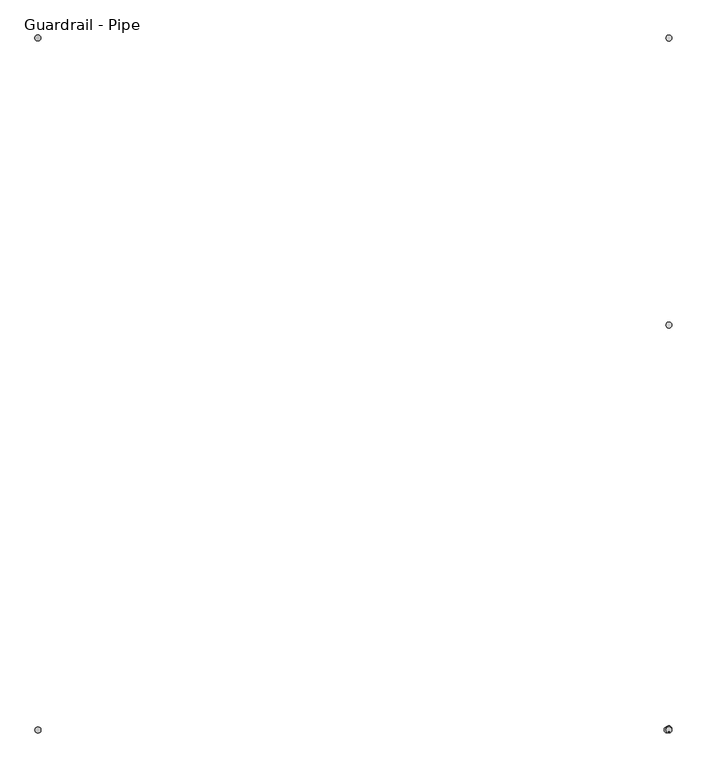
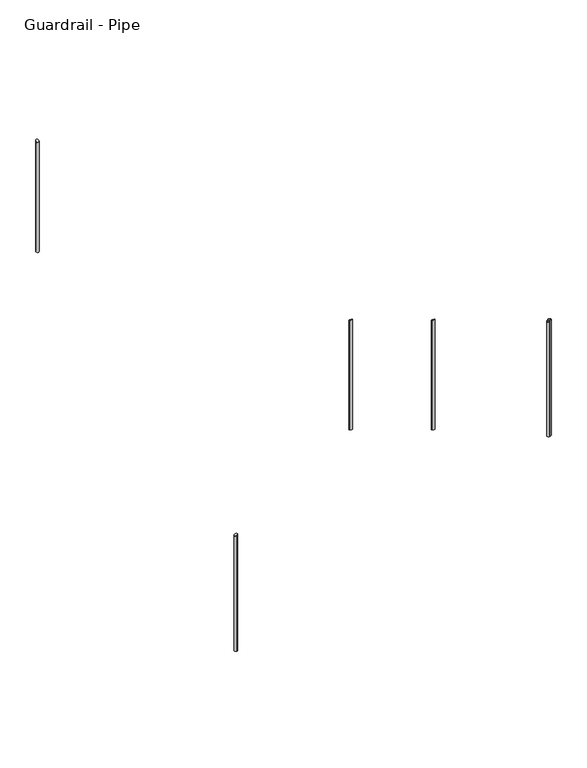
"""IFC4 building model written with IfcOpenShell, lengths in millimetres: railing geometry, Guardrail - Pipe."""

from ifc_helpers import new_model, si_unit, point, frame, frame_2d, origin, place, context, project, spatial, circle_curve, ellipse_curve, trimmed, segment, composite_curve, outline, extrude, source, transform, mapped, element, save
from ifc_brep_helpers import plane_surface, cylinder_surface, advanced_brep


def guardrail_pipe_8e5c0424(model_context):
    return source(origin(), model_context, "Body", "SolidModel", [
        advanced_brep(
        [(18464.2914619, -921.2773943, 1930.4913291), (18438.8914619, -921.2773943, 1930.4913291), (18438.8914619, -921.2773943, 951.0236029), (18464.2914619, -921.2773943, 951.0236029)],
        [
            (0, 1, ellipse_curve(frame((18451.5914619, -921.2773943, 1930.4913291), z_axis=(0.0, -0.5183017160932833, -0.8551978315540549), x_axis=(0.0, -0.855197831554055, 0.518301716093283)), 14.8503651, 12.7)),
            (1, 2),
            (2, 3, ellipse_curve(frame((18451.5914619, -921.2773943, 951.0236029), z_axis=(0.0, 0.5183017160932849, 0.8551978315540538), x_axis=(0.0, -0.8551978315540538, 0.518301716093285)), 14.8503651, 12.7)),
            (3, 0),
            (3, 2, ellipse_curve(frame((18451.5914619, -921.2773943, 951.0236029), z_axis=(0.0, 0.5183017160932849, 0.8551978315540538), x_axis=(0.0, -0.8551978315540538, 0.518301716093285)), 14.8503651, 12.7)),
            (1, 0, ellipse_curve(frame((18451.5914619, -921.2773943, 1930.4913291), z_axis=(0.0, -0.5183017160932833, -0.8551978315540549), x_axis=(0.0, -0.855197831554055, 0.518301716093283)), 14.8503651, 12.7)),
        ],
        [
            cylinder_surface(frame((18451.5914619, -921.2773943, 722.4236029), z_axis=(0.0, 0.0, 1.0), x_axis=(-1.0, 0.0, 0.0)), 12.7),
            plane_surface(frame((18426.1914619, -946.6773943, 1945.8852684), z_axis=(0.0, 0.5183017160932833, 0.8551978315540549), x_axis=(1.0, 0.0, 0.0))),
            plane_surface(frame((18426.1914619, -895.8773943, 935.6296635), z_axis=(0.0, -0.5183017160932849, -0.8551978315540538), x_axis=(1.0, 0.0, 0.0))),
        ],
        [
            (0, [[1, 2, 3, 4]]),
            (0, [[5, -2, 6, -4]]),
            (1, [[-6, -1]]),
            (2, [[-5, -3]]),
        ],
    ),
        advanced_brep(
        [(15799.5147518, -2635.7773943, 1971.0927341), (15799.5147518, -2610.3773943, 1971.0927341), (15799.5147518, -2610.3773943, 939.030303), (15799.5147518, -2635.7773943, 939.030303)],
        [
            (0, 1, ellipse_curve(frame((15799.5147518, -2623.0773943, 1971.0927341), z_axis=(0.3493352013864696, 0.0, -0.9369978212740278), x_axis=(0.9369978212740278, 0.0, 0.34933520138646923)), 13.5539269, 12.7)),
            (1, 2),
            (2, 3, circle_curve(frame((15799.5147518, -2623.0773943, 939.030303), z_axis=(0.0, 0.0, 1.0), x_axis=(0.0, 1.0, 0.0)), 12.7)),
            (3, 0),
            (3, 2, circle_curve(frame((15799.5147518, -2623.0773943, 939.030303), z_axis=(0.0, 0.0, 1.0), x_axis=(0.0, 1.0, 0.0)), 12.7)),
            (1, 0, ellipse_curve(frame((15799.5147518, -2623.0773943, 1971.0927341), z_axis=(0.3493352013864696, 0.0, -0.9369978212740278), x_axis=(0.9369978212740278, 0.0, 0.34933520138646923)), 13.5539269, 12.7)),
        ],
        [
            cylinder_surface(frame((15799.5147518, -2623.0773943, 710.430303), z_axis=(0.0, 0.0, 1.0), x_axis=(0.0, 1.0, 0.0)), 12.7),
            plane_surface(frame((15774.1147518, -2597.6773943, 1961.6230065), z_axis=(-0.3493352013864696, 0.0, 0.9369978212740278), x_axis=(0.0, -1.0, 0.0))),
            plane_surface(frame((15824.9147518, -2597.6773943, 939.030303), z_axis=(0.0, 0.0, -1.0), x_axis=(0.0, -1.0, 0.0))),
        ],
        [
            (0, [[1, 2, 3, 4]]),
            (0, [[5, -2, 6, -4]]),
            (1, [[-6, -1]]),
            (2, [[-5, -3]]),
        ],
    ),
        advanced_brep(
        [(18443.6464086, -2635.7773943, 2956.8882651), (18443.6464086, -2610.3773943, 2956.8882651), (18443.6464086, -2610.3773943, 1930.7500459), (18443.6464086, -2635.7773943, 1930.7500459)],
        [
            (0, 1, ellipse_curve(frame((18443.6464086, -2623.0773943, 2956.8882651), z_axis=(0.3493352013864696, 0.0, -0.9369978212740278), x_axis=(0.9369978212740278, 0.0, 0.34933520138646923)), 13.5539269, 12.7)),
            (1, 2),
            (2, 3, circle_curve(frame((18443.6464086, -2623.0773943, 1930.7500459), z_axis=(0.0, 0.0, 1.0), x_axis=(0.0, 1.0, 0.0)), 12.7)),
            (3, 0),
            (3, 2, circle_curve(frame((18443.6464086, -2623.0773943, 1930.7500459), z_axis=(0.0, 0.0, 1.0), x_axis=(0.0, 1.0, 0.0)), 12.7)),
            (1, 0, ellipse_curve(frame((18443.6464086, -2623.0773943, 2956.8882651), z_axis=(0.3493352013864696, 0.0, -0.9369978212740278), x_axis=(0.9369978212740278, 0.0, 0.34933520138646923)), 13.5539269, 12.7)),
        ],
        [
            cylinder_surface(frame((18443.6464086, -2623.0773943, 1702.1500459), z_axis=(0.0, 0.0, 1.0), x_axis=(0.0, 1.0, 0.0)), 12.7),
            plane_surface(frame((18418.2464086, -2597.6773943, 2947.4185376), z_axis=(-0.3493352013864696, 0.0, 0.9369978212740278), x_axis=(0.0, -1.0, 0.0))),
            plane_surface(frame((18469.0464086, -2597.6773943, 1930.7500459), z_axis=(0.0, 0.0, -1.0), x_axis=(0.0, -1.0, 0.0))),
        ],
        [
            (0, [[1, 2, 3, 4]]),
            (0, [[5, -2, 6, -4]]),
            (1, [[-6, -1]]),
            (2, [[-5, -3]]),
        ],
    ),
        extrude(outline(composite_curve([segment(trimmed(circle_curve(frame_2d((18451.5914619, -2623.0773943)), 12.7), [point((18438.8914619, -2623.0773943))], [point((18464.2914619, -2623.0773943))], False, "CARTESIAN"), True, "CONTINUOUS"), segment(trimmed(circle_curve(frame_2d((18451.5914619, -2623.0773943)), 12.7), [point((18464.2914619, -2623.0773943))], [point((18438.8914619, -2623.0773943))], False, "CARTESIAN"), True, "CONTINUOUS")], self_intersect=False)), frame((0.0, 0.0, 1933.7121518), z_axis=(0.0, 0.0, 1.0), x_axis=(1.0, 0.0, 0.0)), (0.0, 0.0, 1.0), 1031.6621059),
        advanced_brep(
        [(18464.2914619, -2618.1899195, 2958.9231625), (18438.8914619, -2618.1899195, 2958.9231625), (18438.8914619, -2618.1899195, 1936.6742577), (18464.2914619, -2618.1899195, 1936.6742577)],
        [
            (0, 1, ellipse_curve(frame((18451.5914619, -2618.1899195, 2958.9231625), z_axis=(0.0, -0.5183017160932849, -0.8551978315540538), x_axis=(0.0, -0.8551978315540538, 0.518301716093285)), 14.8503651, 12.7)),
            (1, 2),
            (2, 3, circle_curve(frame((18451.5914619, -2618.1899195, 1936.6742577), z_axis=(0.0, 0.0, 1.0), x_axis=(-1.0, 0.0, 0.0)), 12.7)),
            (3, 0),
            (3, 2, circle_curve(frame((18451.5914619, -2618.1899195, 1936.6742577), z_axis=(0.0, 0.0, 1.0), x_axis=(-1.0, 0.0, 0.0)), 12.7)),
            (1, 0, ellipse_curve(frame((18451.5914619, -2618.1899195, 2958.9231625), z_axis=(0.0, -0.5183017160932849, -0.8551978315540538), x_axis=(0.0, -0.8551978315540538, 0.518301716093285)), 14.8503651, 12.7)),
        ],
        [
            cylinder_surface(frame((18451.5914619, -2618.1899195, 1708.0742577), z_axis=(0.0, 0.0, 1.0), x_axis=(-1.0, 0.0, 0.0)), 12.7),
            plane_surface(frame((18426.1914619, -2643.5899195, 2974.3171019), z_axis=(0.0, 0.5183017160932849, 0.8551978315540538), x_axis=(1.0, 0.0, 0.0))),
            plane_surface(frame((18426.1914619, -2592.7899195, 1936.6742577), z_axis=(0.0, 0.0, -1.0), x_axis=(1.0, 0.0, 0.0))),
        ],
        [
            (0, [[1, 2, 3, 4]]),
            (0, [[5, -2, 6, -4]]),
            (1, [[-6, -1]]),
            (2, [[-5, -3]]),
        ],
    ),
        advanced_brep(
        [(15786.8147518, 285.2226057, 3723.8852684), (15812.2147518, 285.2226057, 3723.8852684), (15812.2147518, 285.2226057, 2744.4175423), (15786.8147518, 285.2226057, 2744.4175423)],
        [
            (0, 1, ellipse_curve(frame((15799.5147518, 285.2226057, 3723.8852684), z_axis=(0.0, 0.5183017160932833, -0.8551978315540549), x_axis=(0.0, 0.855197831554055, 0.518301716093283)), 14.8503651, 12.7)),
            (1, 2),
            (2, 3, ellipse_curve(frame((15799.5147518, 285.2226057, 2744.4175423), z_axis=(0.0, -0.5183017160932849, 0.8551978315540538), x_axis=(0.0, 0.8551978315540538, 0.518301716093285)), 14.8503651, 12.7)),
            (3, 0),
            (3, 2, ellipse_curve(frame((15799.5147518, 285.2226057, 2744.4175423), z_axis=(0.0, -0.5183017160932849, 0.8551978315540538), x_axis=(0.0, 0.8551978315540538, 0.518301716093285)), 14.8503651, 12.7)),
            (1, 0, ellipse_curve(frame((15799.5147518, 285.2226057, 3723.8852684), z_axis=(0.0, 0.5183017160932833, -0.8551978315540549), x_axis=(0.0, 0.855197831554055, 0.518301716093283)), 14.8503651, 12.7)),
        ],
        [
            cylinder_surface(frame((15799.5147518, 285.2226057, 2515.8175423), z_axis=(0.0, 0.0, 1.0), x_axis=(1.0, 0.0, 0.0)), 12.7),
            plane_surface(frame((15824.9147518, 310.6226057, 3739.2792078), z_axis=(0.0, -0.5183017160932833, 0.8551978315540549), x_axis=(-1.0, 0.0, 0.0))),
            plane_surface(frame((15824.9147518, 259.8226057, 2729.0236029), z_axis=(0.0, 0.5183017160932849, -0.8551978315540538), x_axis=(-1.0, 0.0, 0.0))),
        ],
        [
            (0, [[1, 2, 3, 4]]),
            (0, [[5, -2, 6, -4]]),
            (1, [[-6, -1]]),
            (2, [[-5, -3]]),
        ],
    ),
        advanced_brep(
        [(18464.2914619, 285.2226057, 1199.2792078), (18438.8914619, 285.2226057, 1199.2792078), (18438.8914619, 285.2226057, 219.8114817), (18464.2914619, 285.2226057, 219.8114817)],
        [
            (0, 1, ellipse_curve(frame((18451.5914619, 285.2226057, 1199.2792078), z_axis=(0.0, -0.5183017160932833, -0.8551978315540549), x_axis=(0.0, -0.855197831554055, 0.518301716093283)), 14.8503651, 12.7)),
            (1, 2),
            (2, 3, ellipse_curve(frame((18451.5914619, 285.2226057, 219.8114817), z_axis=(0.0, 0.5183017160932849, 0.8551978315540538), x_axis=(0.0, -0.8551978315540538, 0.518301716093285)), 14.8503651, 12.7)),
            (3, 0),
            (3, 2, ellipse_curve(frame((18451.5914619, 285.2226057, 219.8114817), z_axis=(0.0, 0.5183017160932849, 0.8551978315540538), x_axis=(0.0, -0.8551978315540538, 0.518301716093285)), 14.8503651, 12.7)),
            (1, 0, ellipse_curve(frame((18451.5914619, 285.2226057, 1199.2792078), z_axis=(0.0, -0.5183017160932833, -0.8551978315540549), x_axis=(0.0, -0.855197831554055, 0.518301716093283)), 14.8503651, 12.7)),
        ],
        [
            cylinder_surface(frame((18451.5914619, 285.2226057, -8.7885183), z_axis=(0.0, 0.0, 1.0), x_axis=(-1.0, 0.0, 0.0)), 12.7),
            plane_surface(frame((18426.1914619, 259.8226057, 1214.6731472), z_axis=(0.0, 0.5183017160932833, 0.8551978315540549), x_axis=(1.0, 0.0, 0.0))),
            plane_surface(frame((18426.1914619, 310.6226057, 204.4175423), z_axis=(0.0, -0.5183017160932849, -0.8551978315540538), x_axis=(1.0, 0.0, 0.0))),
        ],
        [
            (0, [[1, 2, 3, 4]]),
            (0, [[5, -2, 6, -4]]),
            (1, [[-6, -1]]),
            (2, [[-5, -3]]),
        ],
    ),
    ])


if __name__ == "__main__":
    model = new_model("IFC4")
    model_context = context("Model", 3, world=origin())
    ifc_project = project(units=[si_unit("LENGTHUNIT", "METRE", prefix="MILLI")], contexts=[model_context])
    site = spatial("IfcSite", under=ifc_project)
    building = spatial("IfcBuilding", under=site)
    placement = place(None, origin())
    guardrail_pipe_shape = guardrail_pipe_8e5c0424(model_context)
    element("IfcRailing", 1, ObjectType="Guardrail - Pipe", at=placement, inside=building, context=model_context, shape_type="MappedRepresentation", body=[
        mapped(guardrail_pipe_shape, transform((0.0, 0.0, 0.0), x_axis=(1.0, 0.0, 0.0), y_axis=(0.0, 1.0, 0.0), z_axis=(0.0, 0.0, 1.0))),
    ])
    save(model, "model.ifc")
